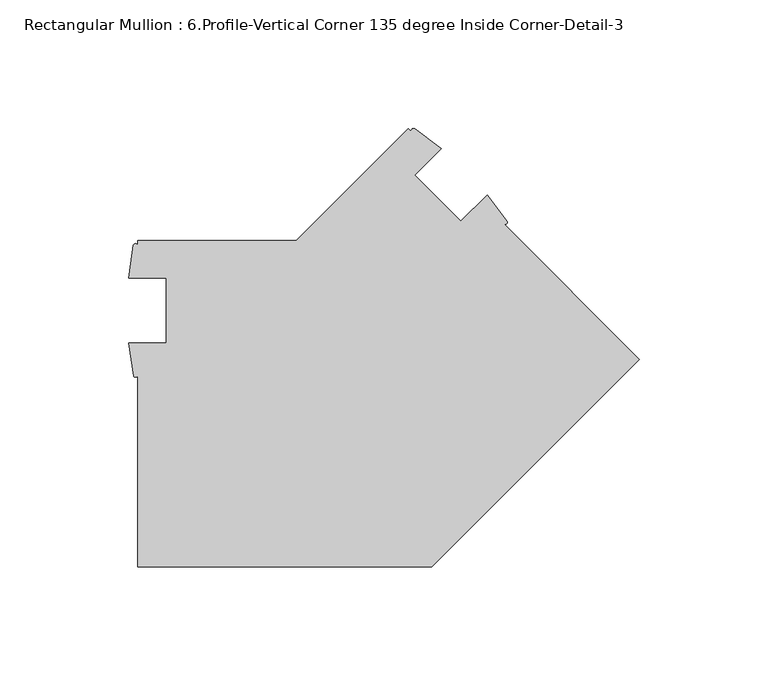
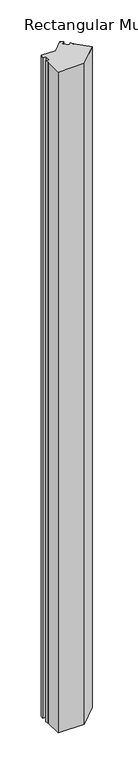
"""IFC4 building model written with IfcOpenShell, lengths in millimetres: member geometry, Rectangular Mullion : 6.Profile-Vertical Corner 135 degree Inside Corner-Detail-3."""

from ifc_helpers import new_model, si_unit, point, frame, frame_2d, origin, place, context, project, spatial, polyline, circle_curve, trimmed, segment, composite_curve, outline, extrude, source, transform, mapped, element, save


def rectangular_mullion_6_profile_vertical_corner_135_degree_169fa4ab(model_context):
    return source(origin(), model_context, "Body", "SweptSolid", [
        extrude(outline(composite_curve([segment(trimmed(circle_curve(frame_2d((-195.9152532, -52.2094634)), 0.919411), [point((-195.1223051, -52.6748126))], [point((-196.7082013, -52.6748126))], False, "CARTESIAN"), True, "CONTINUOUS"), segment(polyline([(-196.7082013, -52.6748126), (-198.5183051, -39.903525), (-184.0098051, -39.903525), (-184.0098051, -14.503525), (-198.6418268, -14.503525), (-196.7857095, -1.7304722)]), True, "CONTINUOUS"), segment(trimmed(circle_curve(frame_2d((-195.9540073, -2.133604)), 0.9242531), [point((-196.7857095, -1.7304722))], [point((-195.1223051, -1.7304722))], False, "CARTESIAN"), True, "CONTINUOUS"), segment(polyline([(-195.1223051, -1.7304722), (-195.1223051, 0.0), (-133.4274275, 0.0), (-89.8025612, 43.6248663), (-88.5789326, 42.4012377)]), True, "CONTINUOUS"), segment(trimmed(circle_curve(frame_2d((-87.7690437, 42.7675533)), 0.8888797), [point((-88.5789326, 42.4012377))], [point((-87.402728, 43.5774422))], False, "CARTESIAN"), True, "CONTINUOUS"), segment(polyline([(-87.402728, 43.5774422), (-77.0583426, 35.8580031), (-87.4047444, 25.5116013), (-69.4442322, 7.5510891), (-59.1851734, 17.8101478), (-51.4344461, 7.4995471)]), True, "CONTINUOUS"), segment(trimmed(circle_curve(frame_2d((-52.255761, 7.2216242)), 0.8670637), [point((-51.4344461, 7.4995471))], [point((-52.606252, 6.428557))], False, "CARTESIAN"), True, "CONTINUOUS"), segment(polyline([(-52.606252, 6.428557), (0.0, -46.1776949), (-80.8223051, -127.0), (-195.1223051, -127.0), (-195.1223051, -52.6748126)]), True, "CONTINUOUS")], self_intersect=False)), frame((0.0, 0.0, -3048.0), z_axis=(0.0, 0.0, 1.0), x_axis=(1.0, 0.0, 0.0)), (0.0, 0.0, 1.0), 3048.0),
    ])


if __name__ == "__main__":
    model = new_model("IFC4")
    model_context = context("Model", 3, world=origin())
    ifc_project = project(units=[si_unit("LENGTHUNIT", "METRE", prefix="MILLI")], contexts=[model_context])
    site = spatial("IfcSite", under=ifc_project)
    building = spatial("IfcBuilding", under=site)
    placement = place(None, origin())
    rectangular_mullion_6_profile_vertical_corner_135_degree_shape = rectangular_mullion_6_profile_vertical_corner_135_degree_169fa4ab(model_context)
    element("IfcMember", 1, ObjectType="Rectangular Mullion : 6.Profile-Vertical Corner 135 degree Inside Corner-Detail-3", at=placement, inside=building, context=model_context, shape_type="MappedRepresentation", body=[
        mapped(rectangular_mullion_6_profile_vertical_corner_135_degree_shape, transform((0.0, 0.0, 0.0), x_axis=(1.0, 0.0, 0.0), y_axis=(0.0, 1.0, 0.0), z_axis=(0.0, 0.0, 1.0))),
    ])
    save(model, "model.ifc")
